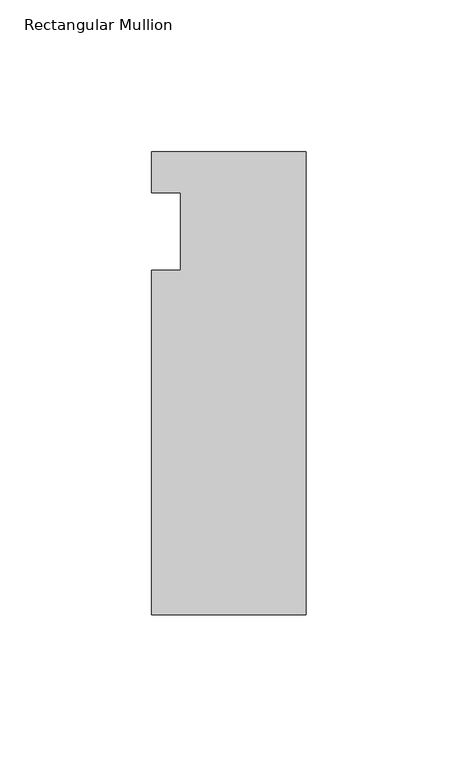
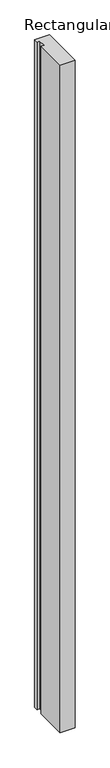
"""IFC4 building model written with IfcOpenShell, lengths in millimetres: member geometry, Rectangular Mullion."""

import ifcopenshell
import ifcopenshell.guid

model = None  # the IFC model being written
_history = None  # IfcOwnerHistory: only IFC2X3 demands one
_inside = {}  # id of a spatial element -> (the spatial element, [elements in it])
_under = {}  # id of a project, library or spatial element -> (it, [spatial elements below it])
_declared = {}  # id of a project -> (the project, [libraries it declares])
_typed = {}  # id of a type object -> (the type object, [elements of that type])
_made_of = {}  # id of a material, layer set ... -> (it, [elements and type objects made of it])


def new_model(schema):
    """Start an empty IFC model of exactly this schema.

    Asked for "IFC4X3", IfcOpenShell would pick the latest addendum, in which some entities
    have other attributes; the version numbers below select the first issue.
    IFC2X3 requires an IfcOwnerHistory on every rooted entity: one is made here for all.
    """
    global model, _history
    if schema == "IFC4X3":
        model = ifcopenshell.file(schema_version=(4, 3, 0, 0))
    else:
        model = ifcopenshell.file(schema=schema)
    _inside.clear()
    _under.clear()
    _declared.clear()
    _typed.clear()
    _made_of.clear()
    _history = None
    if model.schema == "IFC2X3":
        org = make("IfcOrganization", Name="unknown")
        user = make(
            "IfcPersonAndOrganization",
            ThePerson=make("IfcPerson", FamilyName="unknown"),
            TheOrganization=org,
        )
        app = make(
            "IfcApplication",
            ApplicationDeveloper=org,
            Version="unknown",
            ApplicationFullName="unknown",
            ApplicationIdentifier="unknown",
        )
        _history = make(
            "IfcOwnerHistory",
            OwningUser=user,
            OwningApplication=app,
            ChangeAction="ADDED",
            CreationDate=0,
        )
    return model


def make(cls, **values):
    """One entity of the class cls with the attributes given. An attribute that is None is left unset."""
    return model.create_entity(
        cls, **{name: value for name, value in values.items() if value is not None}
    )


def rooted(cls, **values):
    """An entity with a GlobalId (a new one), such as an element, a storey or a relation."""
    return make(cls, GlobalId=ifcopenshell.guid.new(), OwnerHistory=_history, **values)


def si_unit(unit_type, name, prefix=None):
    """IfcSIUnit, for example si_unit("LENGTHUNIT", "METRE", prefix="MILLI")."""
    return make("IfcSIUnit", UnitType=unit_type, Prefix=prefix, Name=name)


def assignment(units):
    """IfcUnitAssignment: the units of a project."""
    return None if units is None else make("IfcUnitAssignment", Units=units)


def point(xyz):
    """IfcCartesianPoint."""
    return None if xyz is None else make("IfcCartesianPoint", Coordinates=xyz)


def direction(xyz):
    """IfcDirection."""
    return None if xyz is None else make("IfcDirection", DirectionRatios=xyz)


def frame(location, z_axis=None, x_axis=None):
    """IfcAxis2Placement3D, a coordinate frame: its origin and axes. An axis left out is left unset."""
    return make(
        "IfcAxis2Placement3D",
        Location=point(location),
        Axis=direction(z_axis),
        RefDirection=direction(x_axis),
    )


def origin():
    """The frame at (0, 0, 0) with its axes left unset."""
    return frame((0.0, 0.0, 0.0))


def place(relative_to, where):
    """IfcLocalPlacement: puts the frame where relative to a parent placement (None: the world)."""
    return make(
        "IfcLocalPlacement", PlacementRelTo=relative_to, RelativePlacement=where
    )


def context(
    kind, dimensions, precision=None, world=None, true_north=None, identifier=None
):
    """IfcGeometricRepresentationContext, for example the 3D "Model" context."""
    return make(
        "IfcGeometricRepresentationContext",
        ContextIdentifier=identifier,
        ContextType=kind,
        CoordinateSpaceDimension=dimensions,
        Precision=precision,
        WorldCoordinateSystem=world,
        TrueNorth=true_north,
    )


def project(units=None, contexts=None):
    """IfcProject with its units and contexts."""
    return rooted(
        "IfcProject",
        Name="project",
        RepresentationContexts=contexts,
        UnitsInContext=assignment(units),
    )


def spatial(cls, under=None, at=None, **own):
    """A site, building, storey or space (cls), placed at a placement, below another one or the project."""
    s = rooted(cls, ObjectPlacement=at, **own)
    if under is not None:
        _under.setdefault(under.id(), (under, []))[1].append(s)
    return s


def polyline(points):
    """IfcPolyline through the points."""
    return make("IfcPolyline", Points=[point(p) for p in points])


def outline(outer, holes=None, kind="AREA"):
    """IfcArbitraryClosedProfileDef: a profile drawn as a closed curve; with holes, ...WithVoids."""
    if holes is None:
        return make("IfcArbitraryClosedProfileDef", ProfileType=kind, OuterCurve=outer)
    return make(
        "IfcArbitraryProfileDefWithVoids",
        ProfileType=kind,
        OuterCurve=outer,
        InnerCurves=holes,
    )


def extrude(swept, where, along, depth):
    """IfcExtrudedAreaSolid: the profile swept, set in the frame where, extruded along a direction by depth."""
    return make(
        "IfcExtrudedAreaSolid",
        SweptArea=swept,
        Position=where,
        ExtrudedDirection=direction(along),
        Depth=depth,
    )


def shape(context_of_items, identifier, shape_type, items):
    """IfcShapeRepresentation: the items that make up one representation, for example the "Body"."""
    return make(
        "IfcShapeRepresentation",
        ContextOfItems=context_of_items,
        RepresentationIdentifier=identifier,
        RepresentationType=shape_type,
        Items=items,
    )


def source(mapping_origin, context_of_items, identifier, shape_type, items):
    """IfcRepresentationMap: a shape defined once, which mapped items show again and again."""
    return make(
        "IfcRepresentationMap",
        MappingOrigin=mapping_origin,
        MappedRepresentation=shape(context_of_items, identifier, shape_type, items),
    )


def transform(
    local_origin,
    x_axis=None,
    y_axis=None,
    z_axis=None,
    scale=None,
    scale2=None,
    scale3=None,
    uniform=True,
):
    """IfcCartesianTransformationOperator3D, or its non-uniform kind. x_axis, y_axis, z_axis: its Axis1, 2, 3."""
    if uniform:
        return make(
            "IfcCartesianTransformationOperator3D",
            Axis1=direction(x_axis),
            Axis2=direction(y_axis),
            LocalOrigin=point(local_origin),
            Scale=scale,
            Axis3=direction(z_axis),
        )
    return make(
        "IfcCartesianTransformationOperator3DnonUniform",
        Axis1=direction(x_axis),
        Axis2=direction(y_axis),
        LocalOrigin=point(local_origin),
        Scale=scale,
        Axis3=direction(z_axis),
        Scale2=scale2,
        Scale3=scale3,
    )


def mapped(mapping_source, mapping_target):
    """IfcMappedItem: shows the shape of a source again, moved by a transform."""
    return make(
        "IfcMappedItem", MappingSource=mapping_source, MappingTarget=mapping_target
    )


def made_of(thing, what):
    """Note that an element or type object is made of a material, layer set ...; save() writes the relation."""
    if what is not None:
        _made_of.setdefault(what.id(), (what, []))[1].append(thing)
    return thing


def element(
    cls,
    number,
    at=None,
    inside=None,
    cuts=None,
    type_object=None,
    material=None,
    context=None,
    identifier="Body",
    shape_type=None,
    held_by="IfcProductDefinitionShape",
    body=None,
    shapes=None,
    **own,
):
    """One element of the class cls, such as IfcWall. Its Tag is "e" and its number.

    at: its placement. inside: the storey or other place that contains it. cuts: it is an
    opening in that element (IfcRelVoidsElement). A single representation is given by context,
    identifier, shape_type and body (its items); several are given by shapes. held_by: the class
    of the entity that holds the representations. save() writes the other relations.
    """
    e = rooted(cls, Tag="e%d" % number, ObjectPlacement=at, **own)
    if body is not None:
        shapes = [shape(context, identifier, shape_type, body)]
    if shapes is not None:
        e.Representation = make(held_by, Representations=shapes)
    if inside is not None:
        _inside.setdefault(inside.id(), (inside, []))[1].append(e)
    if cuts is not None:
        rooted(
            "IfcRelVoidsElement", RelatingBuildingElement=cuts, RelatedOpeningElement=e
        )
    if type_object is not None:
        _typed.setdefault(type_object.id(), (type_object, []))[1].append(e)
    return made_of(e, material)


def aggregate(whole, parts):
    """IfcRelAggregates: a whole, such as a stair, and the parts it consists of."""
    return rooted("IfcRelAggregates", RelatingObject=whole, RelatedObjects=parts)


def save(model, path):
    """Write the relations noted so far, then the file.

    IfcRelAggregates (storeys below a building ...), IfcRelContainedInSpatialStructure (elements
    in a storey), IfcRelDefinesByType, IfcRelAssociatesMaterial and IfcRelDeclares: one each for
    every whole, place, type object, material and project.
    """
    for whole, parts in _under.values():
        aggregate(whole, parts)
    for where, things in _inside.values():
        rooted(
            "IfcRelContainedInSpatialStructure",
            RelatedElements=things,
            RelatingStructure=where,
        )
    for kind, things in _typed.values():
        rooted("IfcRelDefinesByType", RelatedObjects=things, RelatingType=kind)
    for what, things in _made_of.values():
        rooted("IfcRelAssociatesMaterial", RelatedObjects=things, RelatingMaterial=what)
    for by, libraries in _declared.values():
        rooted("IfcRelDeclares", RelatingContext=by, RelatedDefinitions=libraries)
    model.write(path)


def rectangular_mullion_c2eeafbd(model_context):
    return source(origin(), model_context, "Body", "SweptSolid", [
        extrude(outline(polyline([(-25.4, -126.20625), (-25.4, -12.7), (-15.875, -12.7), (-15.875, 12.7), (-25.4, 12.7), (-25.4, 26.19375), (25.4, 26.19375), (25.4, -126.20625), (-25.4, -126.20625)])), frame((0.0, 0.0, -2438.4), z_axis=(0.0, 0.0, 1.0), x_axis=(1.0, 0.0, 0.0)), (0.0, 0.0, 1.0), 2438.4),
    ])


if __name__ == "__main__":
    model = new_model("IFC4")
    model_context = context("Model", 3, world=origin())
    ifc_project = project(units=[si_unit("LENGTHUNIT", "METRE", prefix="MILLI")], contexts=[model_context])
    site = spatial("IfcSite", under=ifc_project)
    building = spatial("IfcBuilding", under=site)
    placement = place(None, origin())
    rectangular_mullion_shape = rectangular_mullion_c2eeafbd(model_context)
    element("IfcMember", 1, ObjectType="Rectangular Mullion", at=placement, inside=building, context=model_context, shape_type="MappedRepresentation", body=[
        mapped(rectangular_mullion_shape, transform((0.0, 0.0, 0.0), x_axis=(1.0, 0.0, 0.0), y_axis=(0.0, 1.0, 0.0), z_axis=(0.0, 0.0, 1.0))),
    ])
    save(model, "model.ifc")
